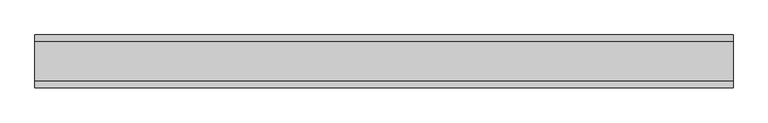
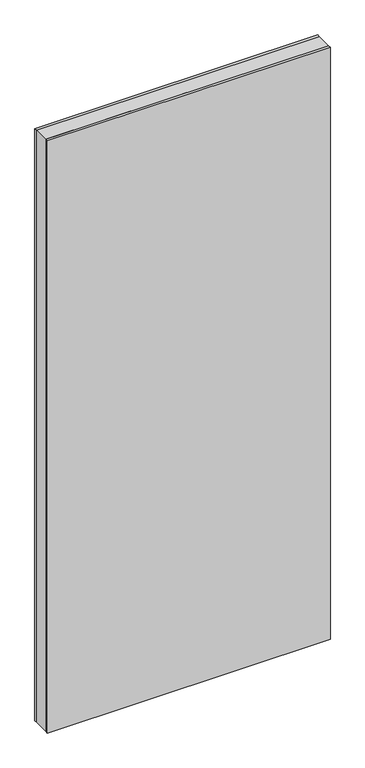
"""IFC4 building model written with IfcOpenShell, lengths in millimetres: plate geometry."""

from ifc_helpers import new_model, si_unit, origin, origin_with_axes, place, context, project, spatial, polyline, outline, extrude, source, transform, mapped, element, save


def plate_cbc22e98(model_context):
    return source(origin(), model_context, "Body", "SweptSolid", [
        extrude(outline(polyline([(663.2083334, 37.0), (663.2083334, -37.0), (-663.2083334, -37.0), (-663.2083334, 37.0), (663.2083334, 37.0)])), origin_with_axes(), (0.0, 0.0, 1.0), 2931.0),
        extrude(outline(polyline([(663.2083334, 50.0), (663.2083334, 37.0), (-663.2083334, 37.0), (-663.2083334, 50.0), (663.2083334, 50.0)])), origin_with_axes(), (0.0, 0.0, 1.0), 2931.0),
        extrude(outline(polyline([(-663.2083334, -50.0), (-663.2083334, -37.0), (663.2083334, -37.0), (663.2083334, -50.0), (-663.2083334, -50.0)])), origin_with_axes(), (0.0, 0.0, 1.0), 2931.0),
    ])


if __name__ == "__main__":
    model = new_model("IFC4")
    model_context = context("Model", 3, world=origin())
    ifc_project = project(units=[si_unit("LENGTHUNIT", "METRE", prefix="MILLI")], contexts=[model_context])
    site = spatial("IfcSite", under=ifc_project)
    building = spatial("IfcBuilding", under=site)
    placement = place(None, origin())
    plate_shape = plate_cbc22e98(model_context)
    element("IfcPlate", 1, at=placement, inside=building, context=model_context, shape_type="MappedRepresentation", body=[
        mapped(plate_shape, transform((0.0, 0.0, 0.0), x_axis=(1.0, 0.0, 0.0), y_axis=(0.0, 1.0, 0.0), z_axis=(0.0, 0.0, 1.0))),
    ])
    save(model, "model.ifc")
